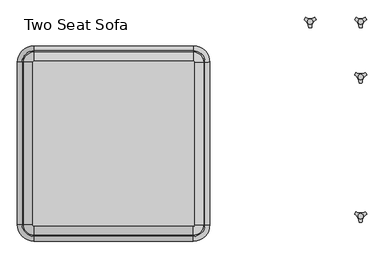
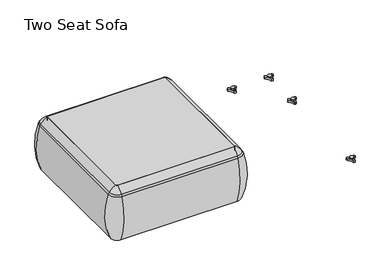
"""IFC4 building model written with IfcOpenShell, lengths in millimetres: furniture geometry, Two Seat Sofa."""

from ifc_helpers import new_model, si_unit, point, frame, frame_2d, origin, place, context, project, spatial, polyline, circle_curve, ellipse_curve, trimmed, segment, composite_curve, outline, extrude, source, transform, mapped, element, save
from ifc_brep_helpers import plane_surface, cylinder_surface, revolved_surface, advanced_brep


def two_seat_sofa_56ba0fb8(model_context):
    return source(origin(), model_context, "Body", "SolidModel", [
        advanced_brep(
        [(-794.741528, -680.3856623, 390.3914007), (-789.4617207, -685.6654695, 390.3914007), (-789.4617207, -685.6654695, 123.9999984), (-794.741528, -680.3856623, 123.9999984), (-823.4295722, -680.3856623, 123.9999984), (-789.4617207, -714.3535137, 123.9999984), (-789.4617207, -722.0329787, 353.7769053), (-831.1090372, -680.3856623, 353.7769053), (-794.741528, -92.2092577, 123.9999984), (-794.741528, -92.2092577, 390.3914007), (-831.1090372, -92.2092577, 353.7769053), (-823.4295722, -92.2092577, 123.9999984), (-789.4617207, -86.9294504, 390.3914007), (-789.4617207, -86.9294504, 123.9999984), (-789.4617207, -58.2414063, 123.9999984), (-789.4617207, -50.5619412, 353.7769053), (-212.8817207, -86.9294504, 123.9999984), (-212.8817207, -86.9294504, 390.3914007), (-212.8817207, -50.5619412, 353.7769053), (-212.8817207, -58.2414063, 123.9999984), (-207.6019135, -92.2092577, 390.3914007), (-207.6019135, -92.2092577, 123.9999984), (-178.9138693, -92.2092577, 123.9999984), (-171.2344043, -92.2092577, 353.7769053), (-207.6019135, -680.3856623, 123.9999984), (-207.6019135, -680.3856623, 390.3914007), (-171.2344043, -680.3856623, 353.7769053), (-178.9138693, -680.3856623, 123.9999984), (-212.8817207, -685.6654695, 390.3914007), (-212.8817207, -685.6654695, 123.9999984), (-212.8817207, -714.3535137, 123.9999984), (-212.8817207, -722.0329787, 353.7769053), (-825.8905773, -680.3856623, 363.6402875), (-789.4617207, -716.8145188, 363.6402875), (-825.8905773, -92.2092577, 363.6402875), (-789.4617207, -55.7804011, 363.6402875), (-212.8817207, -55.7804011, 363.6402875), (-176.4528642, -92.2092577, 363.6402875), (-176.4528642, -680.3856623, 363.6402875), (-212.8817207, -716.8145188, 363.6402875)],
        [
            (0, 1, circle_curve(frame((-789.4617207, -680.3856623, 390.3914007), z_axis=(0.0, 0.0, 1.0), x_axis=(0.0, -1.0, 0.0)), 5.2798073)),
            (1, 2),
            (2, 3, circle_curve(frame((-789.4617207, -680.3856623, 123.9999984), z_axis=(0.0, 0.0, -1.0), x_axis=(0.0, -1.0, 0.0)), 5.2798073)),
            (3, 0),
            (4, 5, circle_curve(frame((-789.4617207, -680.3856623, 123.9999984), z_axis=(0.0, 0.0, 1.0), x_axis=(0.0, -1.0, 0.0)), 33.9678514)),
            (5, 6, circle_curve(frame((-789.4617207, -417.9792297, 248.9220234), z_axis=(-1.0, 0.0, 0.0), x_axis=(0.0, -1.0, 0.0)), 321.625914)),
            (6, 7, circle_curve(frame((-789.4617207, -680.3856623, 353.7769053), z_axis=(0.0, 0.0, -1.0), x_axis=(0.0, -1.0, 0.0)), 41.6473165)),
            (7, 4, circle_curve(frame((-527.0552882, -680.3856623, 248.9220234), z_axis=(0.0, -1.0, 0.0), x_axis=(-1.0, 0.0, 0.0)), 321.625914)),
            (3, 8),
            (8, 9),
            (9, 0),
            (7, 10),
            (10, 11, circle_curve(frame((-527.0552882, -92.2092577, 248.9220234), z_axis=(0.0, -1.0, 0.0), x_axis=(-1.0, 0.0, 0.0)), 321.625914)),
            (11, 4),
            (12, 9, circle_curve(frame((-789.4617207, -92.2092577, 390.3914007), z_axis=(0.0, 0.0, 1.0), x_axis=(-1.0, 0.0, 0.0)), 5.2798073)),
            (8, 13, circle_curve(frame((-789.4617207, -92.2092577, 123.9999984), z_axis=(0.0, 0.0, -1.0), x_axis=(-1.0, 0.0, 0.0)), 5.2798073)),
            (13, 12),
            (14, 11, circle_curve(frame((-789.4617207, -92.2092577, 123.9999984), z_axis=(0.0, 0.0, 1.0), x_axis=(-1.0, 0.0, 0.0)), 33.9678514)),
            (10, 15, circle_curve(frame((-789.4617207, -92.2092577, 353.7769053), z_axis=(0.0, 0.0, -1.0), x_axis=(-1.0, 0.0, 0.0)), 41.6473165)),
            (15, 14, circle_curve(frame((-789.4617207, -354.6156902, 248.9220234), z_axis=(-1.0, 0.0, 0.0), x_axis=(0.0, 1.0, 0.0)), 321.625914)),
            (13, 16),
            (16, 17),
            (17, 12),
            (15, 18),
            (18, 19, circle_curve(frame((-212.8817207, -354.6156902, 248.9220234), z_axis=(-1.0, 0.0, 0.0), x_axis=(0.0, 1.0, 0.0)), 321.625914)),
            (19, 14),
            (20, 17, circle_curve(frame((-212.8817207, -92.2092577, 390.3914007), z_axis=(0.0, 0.0, 1.0), x_axis=(0.0, 1.0, 0.0)), 5.2798073)),
            (16, 21, circle_curve(frame((-212.8817207, -92.2092577, 123.9999984), z_axis=(0.0, 0.0, -1.0), x_axis=(0.0, 1.0, 0.0)), 5.2798073)),
            (21, 20),
            (22, 19, circle_curve(frame((-212.8817207, -92.2092577, 123.9999984), z_axis=(0.0, 0.0, 1.0), x_axis=(0.0, 1.0, 0.0)), 33.9678514)),
            (18, 23, circle_curve(frame((-212.8817207, -92.2092577, 353.7769053), z_axis=(0.0, 0.0, -1.0), x_axis=(0.0, 1.0, 0.0)), 41.6473165)),
            (23, 22, circle_curve(frame((-475.2881533, -92.2092577, 248.9220234), z_axis=(0.0, 1.0, 0.0), x_axis=(1.0, 0.0, 0.0)), 321.625914)),
            (21, 24),
            (24, 25),
            (25, 20),
            (23, 26),
            (26, 27, circle_curve(frame((-475.2881533, -680.3856623, 248.9220234), z_axis=(0.0, 1.0, 0.0), x_axis=(1.0, 0.0, 0.0)), 321.625914)),
            (27, 22),
            (28, 25, circle_curve(frame((-212.8817207, -680.3856623, 390.3914007), z_axis=(0.0, 0.0, 1.0), x_axis=(1.0, 0.0, 0.0)), 5.2798073)),
            (24, 29, circle_curve(frame((-212.8817207, -680.3856623, 123.9999984), z_axis=(0.0, 0.0, -1.0), x_axis=(1.0, 0.0, 0.0)), 5.2798073)),
            (29, 28),
            (30, 27, circle_curve(frame((-212.8817207, -680.3856623, 123.9999984), z_axis=(0.0, 0.0, 1.0), x_axis=(1.0, 0.0, 0.0)), 33.9678514)),
            (26, 31, circle_curve(frame((-212.8817207, -680.3856623, 353.7769053), z_axis=(0.0, 0.0, -1.0), x_axis=(1.0, 0.0, 0.0)), 41.6473165)),
            (31, 30, circle_curve(frame((-212.8817207, -417.9792297, 248.9220234), z_axis=(1.0, 0.0, 0.0), x_axis=(0.0, -1.0, 0.0)), 321.625914)),
            (30, 5),
            (2, 29),
            (1, 28),
            (31, 6),
            (32, 33, circle_curve(frame((-789.4617207, -680.3856623, 363.6402875), z_axis=(0.0, 0.0, 1.0), x_axis=(0.0, -1.0, 0.0)), 36.4288566)),
            (33, 1, circle_curve(frame((-789.4617207, -641.43285, 307.3762868), z_axis=(-1.0, 0.0, 0.0), x_axis=(0.0, -1.0, 0.0)), 94.0639876)),
            (0, 32, circle_curve(frame((-750.5089085, -680.3856623, 307.3762868), z_axis=(0.0, -1.0, 0.0), x_axis=(-1.0, 0.0, 0.0)), 94.0639876)),
            (6, 33, circle_curve(frame((-789.4617207, -687.7682596, 341.9604975), z_axis=(-1.0, 0.0, 0.0), x_axis=(0.0, -1.0, 0.0)), 36.2449785)),
            (32, 7, circle_curve(frame((-796.8443181, -680.3856623, 341.9604975), z_axis=(0.0, -1.0, 0.0), x_axis=(-1.0, 0.0, 0.0)), 36.2449785)),
            (9, 34, circle_curve(frame((-750.5089085, -92.2092577, 307.3762868), z_axis=(0.0, -1.0, 0.0), x_axis=(-1.0, 0.0, 0.0)), 94.0639876)),
            (34, 32),
            (34, 10, circle_curve(frame((-796.8443181, -92.2092577, 341.9604975), z_axis=(0.0, -1.0, 0.0), x_axis=(-1.0, 0.0, 0.0)), 36.2449785)),
            (35, 34, circle_curve(frame((-789.4617207, -92.2092577, 363.6402875), z_axis=(0.0, 0.0, 1.0), x_axis=(-1.0, 0.0, 0.0)), 36.4288566)),
            (12, 35, circle_curve(frame((-789.4617207, -131.1620699, 307.3762868), z_axis=(-1.0, 0.0, 0.0), x_axis=(0.0, 1.0, 0.0)), 94.0639876)),
            (35, 15, circle_curve(frame((-789.4617207, -84.8266603, 341.9604975), z_axis=(-1.0, 0.0, 0.0), x_axis=(0.0, 1.0, 0.0)), 36.2449785)),
            (17, 36, circle_curve(frame((-212.8817207, -131.1620699, 307.3762868), z_axis=(-1.0, 0.0, 0.0), x_axis=(0.0, 1.0, 0.0)), 94.0639876)),
            (36, 35),
            (36, 18, circle_curve(frame((-212.8817207, -84.8266603, 341.9604975), z_axis=(-1.0, 0.0, 0.0), x_axis=(0.0, 1.0, 0.0)), 36.2449785)),
            (37, 36, circle_curve(frame((-212.8817207, -92.2092577, 363.6402875), z_axis=(0.0, 0.0, 1.0), x_axis=(0.0, 1.0, 0.0)), 36.4288566)),
            (20, 37, circle_curve(frame((-251.8345329, -92.2092577, 307.3762868), z_axis=(0.0, 1.0, 0.0), x_axis=(1.0, 0.0, 0.0)), 94.0639876)),
            (37, 23, circle_curve(frame((-205.4991233, -92.2092577, 341.9604975), z_axis=(0.0, 1.0, 0.0), x_axis=(1.0, 0.0, 0.0)), 36.2449785)),
            (25, 38, circle_curve(frame((-251.8345329, -680.3856623, 307.3762868), z_axis=(0.0, 1.0, 0.0), x_axis=(1.0, 0.0, 0.0)), 94.0639876)),
            (38, 37),
            (38, 26, circle_curve(frame((-205.4991233, -680.3856623, 341.9604975), z_axis=(0.0, 1.0, 0.0), x_axis=(1.0, 0.0, 0.0)), 36.2449785)),
            (39, 38, circle_curve(frame((-212.8817207, -680.3856623, 363.6402875), z_axis=(0.0, 0.0, 1.0), x_axis=(1.0, 0.0, 0.0)), 36.4288566)),
            (28, 39, circle_curve(frame((-212.8817207, -641.43285, 307.3762868), z_axis=(1.0, 0.0, 0.0), x_axis=(0.0, -1.0, 0.0)), 94.0639876)),
            (39, 31, circle_curve(frame((-212.8817207, -687.7682596, 341.9604975), z_axis=(1.0, 0.0, 0.0), x_axis=(0.0, -1.0, 0.0)), 36.2449785)),
            (33, 39),
        ],
        [
            revolved_surface(polyline([(-789.4617207, -685.6654696, 123.9999984), (-789.4617207, -685.6654696, 390.3914007)]), (-789.4617207, -680.3856623, 0.0), (0.0, 0.0, -1.0)),
            revolved_surface(trimmed(ellipse_curve(frame((-789.4617207, -417.9792297, 248.9220234), z_axis=(1.0, 0.0, 0.0), x_axis=(0.0, -1.0, 0.0)), 321.625914, 321.625914), [point((-789.4617207, -722.0329787, 353.7769053))], [point((-789.4617207, -714.3535137, 123.9999984))], True, "CARTESIAN"), (-789.4617207, -680.3856623, 0.0), (0.0, 0.0, -1.0)),
            plane_surface(frame((-794.741528, -680.3856623, 123.9999984), z_axis=(1.0, 0.0, 0.0), x_axis=(0.0, 1.0, 0.0))),
            cylinder_surface(frame((-527.0552882, -680.3856623, 248.9220234), z_axis=(0.0, -1.0, 0.0), x_axis=(-1.0, 0.0, 0.0)), 321.625914),
            revolved_surface(polyline([(-794.741528, -92.2092577, 123.9999984), (-794.741528, -92.2092577, 390.3914007)]), (-789.4617207, -92.2092577, 0.0), (0.0, 0.0, -1.0)),
            revolved_surface(trimmed(ellipse_curve(frame((-527.0552882, -92.2092577, 248.9220234), z_axis=(0.0, -1.0, 0.0), x_axis=(-1.0, 0.0, 0.0)), 321.625914, 321.625914), [point((-831.1090372, -92.2092577, 353.7769053))], [point((-823.4295722, -92.2092577, 123.9999984))], True, "CARTESIAN"), (-789.4617207, -92.2092577, 0.0), (0.0, 0.0, -1.0)),
            plane_surface(frame((-789.4617207, -86.9294504, 123.9999984), z_axis=(0.0, -1.0, 0.0), x_axis=(1.0, 0.0, 0.0))),
            cylinder_surface(frame((-789.4617207, -354.6156902, 248.9220234), z_axis=(-1.0, 0.0, 0.0), x_axis=(0.0, 1.0, 0.0)), 321.625914),
            revolved_surface(polyline([(-212.8817207, -86.9294504, 123.9999984), (-212.8817207, -86.9294504, 390.3914007)]), (-212.8817207, -92.2092577, 0.0), (0.0, 0.0, -1.0)),
            revolved_surface(trimmed(ellipse_curve(frame((-212.8817207, -354.6156902, 248.9220234), z_axis=(-1.0, 0.0, 0.0), x_axis=(0.0, 1.0, 0.0)), 321.625914, 321.625914), [point((-212.8817207, -50.5619412, 353.7769053))], [point((-212.8817207, -58.2414063, 123.9999984))], True, "CARTESIAN"), (-212.8817207, -92.2092577, 0.0), (0.0, 0.0, -1.0)),
            plane_surface(frame((-207.6019135, -92.2092577, 123.9999984), z_axis=(-1.0, 0.0, 0.0), x_axis=(0.0, -1.0, 0.0))),
            cylinder_surface(frame((-475.2881533, -92.2092577, 248.9220234), z_axis=(0.0, 1.0, 0.0), x_axis=(1.0, 0.0, 0.0)), 321.625914),
            revolved_surface(polyline([(-207.6019134, -680.3856623, 123.9999984), (-207.6019134, -680.3856623, 390.3914007)]), (-212.8817207, -680.3856623, 0.0), (0.0, 0.0, -1.0)),
            revolved_surface(trimmed(ellipse_curve(frame((-475.2881533, -680.3856623, 248.9220234), z_axis=(0.0, 1.0, 0.0), x_axis=(1.0, 0.0, 0.0)), 321.625914, 321.625914), [point((-171.2344043, -680.3856623, 353.7769053))], [point((-178.9138693, -680.3856623, 123.9999984))], True, "CARTESIAN"), (-212.8817207, -680.3856623, 0.0), (0.0, 0.0, -1.0)),
            plane_surface(frame((-212.8817207, -714.3535137, 123.9999984), z_axis=(0.0, 0.0, -1.0), x_axis=(-1.0, 0.0, 0.0))),
            plane_surface(frame((-212.8817207, -685.6654695, 123.9999984), z_axis=(0.0, 1.0, 0.0), x_axis=(-1.0, 0.0, 0.0))),
            cylinder_surface(frame((-212.8817207, -417.9792297, 248.9220234), z_axis=(1.0, 0.0, 0.0), x_axis=(0.0, -1.0, 0.0)), 321.625914),
            revolved_surface(trimmed(ellipse_curve(frame((-789.4617207, -641.43285, 307.3762868), z_axis=(1.0, 0.0, 0.0), x_axis=(0.0, -1.0, 0.0)), 94.0639876, 94.0639876), [point((-789.4617207, -685.6654695, 390.3914007))], [point((-789.4617207, -716.8145188, 363.6402875))], True, "CARTESIAN"), (-789.4617207, -680.3856623, 0.0), (0.0, 0.0, -1.0)),
            revolved_surface(trimmed(ellipse_curve(frame((-789.4617207, -687.7682596, 341.9604975), z_axis=(1.0, 0.0, 0.0), x_axis=(0.0, -1.0, 0.0)), 36.2449785, 36.2449785), [point((-789.4617207, -716.8145188, 363.6402875))], [point((-789.4617207, -722.0329787, 353.7769053))], True, "CARTESIAN"), (-789.4617207, -680.3856623, 0.0), (0.0, 0.0, -1.0)),
            cylinder_surface(frame((-750.5089085, -680.3856623, 307.3762868), z_axis=(0.0, -1.0, 0.0), x_axis=(-1.0, 0.0, 0.0)), 94.0639876),
            cylinder_surface(frame((-796.8443181, -680.3856623, 341.9604975), z_axis=(0.0, -1.0, 0.0), x_axis=(-1.0, 0.0, 0.0)), 36.2449785),
            revolved_surface(trimmed(ellipse_curve(frame((-750.5089085, -92.2092577, 307.3762868), z_axis=(0.0, -1.0, 0.0), x_axis=(-1.0, 0.0, 0.0)), 94.0639876, 94.0639876), [point((-794.741528, -92.2092577, 390.3914007))], [point((-825.8905773, -92.2092577, 363.6402875))], True, "CARTESIAN"), (-789.4617207, -92.2092577, 0.0), (0.0, 0.0, -1.0)),
            revolved_surface(trimmed(ellipse_curve(frame((-796.8443181, -92.2092577, 341.9604975), z_axis=(0.0, -1.0, 0.0), x_axis=(-1.0, 0.0, 0.0)), 36.2449785, 36.2449785), [point((-825.8905773, -92.2092577, 363.6402875))], [point((-831.1090372, -92.2092577, 353.7769053))], True, "CARTESIAN"), (-789.4617207, -92.2092577, 0.0), (0.0, 0.0, -1.0)),
            cylinder_surface(frame((-789.4617207, -131.1620699, 307.3762868), z_axis=(-1.0, 0.0, 0.0), x_axis=(0.0, 1.0, 0.0)), 94.0639876),
            cylinder_surface(frame((-789.4617207, -84.8266603, 341.9604975), z_axis=(-1.0, 0.0, 0.0), x_axis=(0.0, 1.0, 0.0)), 36.2449785),
            revolved_surface(trimmed(ellipse_curve(frame((-212.8817207, -131.1620699, 307.3762868), z_axis=(-1.0, 0.0, 0.0), x_axis=(0.0, 1.0, 0.0)), 94.0639876, 94.0639876), [point((-212.8817207, -86.9294504, 390.3914007))], [point((-212.8817207, -55.7804011, 363.6402875))], True, "CARTESIAN"), (-212.8817207, -92.2092577, 0.0), (0.0, 0.0, -1.0)),
            revolved_surface(trimmed(ellipse_curve(frame((-212.8817207, -84.8266603, 341.9604975), z_axis=(-1.0, 0.0, 0.0), x_axis=(0.0, 1.0, 0.0)), 36.2449785, 36.2449785), [point((-212.8817207, -55.7804011, 363.6402875))], [point((-212.8817207, -50.5619412, 353.7769053))], True, "CARTESIAN"), (-212.8817207, -92.2092577, 0.0), (0.0, 0.0, -1.0)),
            cylinder_surface(frame((-251.8345329, -92.2092577, 307.3762868), z_axis=(0.0, 1.0, 0.0), x_axis=(1.0, 0.0, 0.0)), 94.0639876),
            cylinder_surface(frame((-205.4991233, -92.2092577, 341.9604975), z_axis=(0.0, 1.0, 0.0), x_axis=(1.0, 0.0, 0.0)), 36.2449785),
            revolved_surface(trimmed(ellipse_curve(frame((-251.8345329, -680.3856623, 307.3762868), z_axis=(0.0, 1.0, 0.0), x_axis=(1.0, 0.0, 0.0)), 94.0639876, 94.0639876), [point((-207.6019135, -680.3856623, 390.3914007))], [point((-176.4528642, -680.3856623, 363.6402875))], True, "CARTESIAN"), (-212.8817207, -680.3856623, 0.0), (0.0, 0.0, -1.0)),
            revolved_surface(trimmed(ellipse_curve(frame((-205.4991233, -680.3856623, 341.9604975), z_axis=(0.0, 1.0, 0.0), x_axis=(1.0, 0.0, 0.0)), 36.2449785, 36.2449785), [point((-176.4528642, -680.3856623, 363.6402875))], [point((-171.2344043, -680.3856623, 353.7769053))], True, "CARTESIAN"), (-212.8817207, -680.3856623, 0.0), (0.0, 0.0, -1.0)),
            cylinder_surface(frame((-212.8817207, -641.43285, 307.3762868), z_axis=(1.0, 0.0, 0.0), x_axis=(0.0, -1.0, 0.0)), 94.0639876),
            cylinder_surface(frame((-212.8817207, -687.7682596, 341.9604975), z_axis=(1.0, 0.0, 0.0), x_axis=(0.0, -1.0, 0.0)), 36.2449785),
        ],
        [
            (0, [[1, 2, 3, 4]]),
            (1, [[5, 6, 7, 8]]),
            (2, [[-4, 9, 10, 11]]),
            (3, [[-8, 12, 13, 14]]),
            (4, [[15, -10, 16, 17]]),
            (5, [[18, -13, 19, 20]]),
            (6, [[-17, 21, 22, 23]]),
            (7, [[-20, 24, 25, 26]]),
            (8, [[27, -22, 28, 29]]),
            (9, [[30, -25, 31, 32]]),
            (10, [[-29, 33, 34, 35]]),
            (11, [[-32, 36, 37, 38]]),
            (12, [[39, -34, 40, 41]]),
            (13, [[42, -37, 43, 44]]),
            (14, [[-38, -42, 45, -5, -14, -18, -26, -30], [46, -40, -33, -28, -21, -16, -9, -3]]),
            (15, [[-41, -46, -2, 47]]),
            (16, [[-44, 48, -6, -45]]),
            (17, [[49, 50, -1, 51]]),
            (18, [[-7, 52, -49, 53]]),
            (19, [[-51, -11, 54, 55]]),
            (20, [[-53, -55, 56, -12]]),
            (21, [[57, -54, -15, 58]]),
            (22, [[-19, -56, -57, 59]]),
            (23, [[-58, -23, 60, 61]]),
            (24, [[-59, -61, 62, -24]]),
            (25, [[63, -60, -27, 64]]),
            (26, [[-31, -62, -63, 65]]),
            (27, [[-64, -35, 66, 67]]),
            (28, [[-65, -67, 68, -36]]),
            (29, [[69, -66, -39, 70]]),
            (30, [[-43, -68, -69, 71]]),
            (31, [[-70, -47, -50, 72]]),
            (32, [[-71, -72, -52, -48]]),
        ],
    ),
        extrude(outline(composite_curve([segment(trimmed(circle_curve(frame_2d((-789.4617207, -680.3856623)), 5.2798073), [point((-789.4617207, -685.6654695))], [point((-794.741528, -680.3856623))], False, "CARTESIAN"), True, "CONTINUOUS"), segment(polyline([(-794.741528, -680.3856623), (-794.741528, -92.2092577)]), True, "CONTINUOUS"), segment(trimmed(circle_curve(frame_2d((-789.4617207, -92.2092577)), 5.2798073), [point((-794.741528, -92.2092577))], [point((-789.4617207, -86.9294504))], False, "CARTESIAN"), True, "CONTINUOUS"), segment(polyline([(-789.4617207, -86.9294504), (-212.8817207, -86.9294504)]), True, "CONTINUOUS"), segment(trimmed(circle_curve(frame_2d((-212.8817207, -92.2092577)), 5.2798073), [point((-212.8817207, -86.9294504))], [point((-207.6019135, -92.2092577))], False, "CARTESIAN"), True, "CONTINUOUS"), segment(polyline([(-207.6019135, -92.2092577), (-207.6019135, -680.3856623)]), True, "CONTINUOUS"), segment(trimmed(circle_curve(frame_2d((-212.8817207, -680.3856623)), 5.2798073), [point((-207.6019135, -680.3856623))], [point((-212.8817207, -685.6654695))], False, "CARTESIAN"), True, "CONTINUOUS"), segment(polyline([(-212.8817207, -685.6654695), (-789.4617207, -685.6654695)]), True, "CONTINUOUS")], self_intersect=False)), frame((0.0, 0.0, 123.9999984), z_axis=(0.0, 0.0, 1.0), x_axis=(1.0, 0.0, 0.0)), (0.0, 0.0, 1.0), 266.3914023),
        advanced_brep(
        [(373.838792, -633.9963447, 98.611642), (369.6162038, -641.3100819, 98.611642), (370.0141527, -642.4761133, 98.611642), (385.8334234, -669.8758983, 98.611642), (386.6442569, -670.8035397, 98.611642), (395.0894355, -670.8035397, 98.611642), (395.8939637, -669.7137583, 98.611642), (411.9962168, -642.2119553, 98.611642), (412.1174938, -641.3100836, 98.611642), (407.8949039, -633.9963432, 98.611642), (406.6861204, -633.7579584, 98.611642), (375.047572, -633.7579584, 98.611642), (400.2397227, -648.9168654, 98.611642), (381.3347108, -648.9168654, 98.611642), (373.838792, -633.9963447, 88.6531552), (375.047572, -633.7579584, 88.6531552), (406.6861204, -633.7579584, 88.6531552), (407.8949039, -633.9963432, 88.6531552), (412.1174938, -641.3100836, 88.6531552), (411.9962168, -642.2119553, 88.6531552), (395.8939637, -669.7137583, 88.6531552), (395.0894355, -670.8035397, 88.6531552), (386.6442569, -670.8035397, 88.6531552), (385.8334234, -669.8758983, 88.6531552), (370.0141527, -642.4761133, 88.6531552), (369.6162038, -641.3100819, 88.6531552), (381.3347108, -648.9168654, 103.6569541), (400.2397227, -648.9168654, 103.6569541)],
        [
            (0, 1, circle_curve(frame((392.09828, -649.4142898, 98.611642), z_axis=(0.0, 0.0, 1.0), x_axis=(1.0, 0.0, 0.0)), 23.8981576)),
            (1, 2, circle_curve(frame((370.5437624, -641.6444428, 98.611642), z_axis=(0.0, 0.0, 1.0), x_axis=(1.0, 0.0, 0.0)), 0.9859828)),
            (2, 3, circle_curve(frame((351.6187827, -671.3632053, 98.611642), z_axis=(0.0, 0.0, -1.0), x_axis=(1.0, 0.0, 0.0)), 34.246952)),
            (3, 4, circle_curve(frame((386.8184668, -669.8330785, 98.611642), z_axis=(0.0, 0.0, 1.0), x_axis=(1.0, 0.0, 0.0)), 0.9859736)),
            (4, 5, circle_curve(frame((390.8668462, -647.2809943, 98.611642), z_axis=(0.0, 0.0, 1.0), x_axis=(1.0, 0.0, 0.0)), 23.8985439)),
            (5, 6, circle_curve(frame((394.9152236, -669.8330671, 98.611642), z_axis=(0.0, 0.0, 1.0), x_axis=(1.0, 0.0, 0.0)), 0.9859852)),
            (6, 7, circle_curve(frame((430.1156373, -671.285662, 98.611642), z_axis=(0.0, 0.0, -1.0), x_axis=(1.0, 0.0, 0.0)), 34.2577557)),
            (7, 8, circle_curve(frame((411.1899324, -641.644442, 98.611642), z_axis=(0.0, 0.0, 1.0), x_axis=(1.0, 0.0, 0.0)), 0.9859847)),
            (8, 9, circle_curve(frame((389.6358034, -649.4140667, 98.611642), z_axis=(0.0, 0.0, 1.0), x_axis=(1.0, 0.0, 0.0)), 23.8977184)),
            (9, 10, circle_curve(frame((407.1415576, -634.632458, 98.611642), z_axis=(0.0, 0.0, 1.0), x_axis=(1.0, 0.0, 0.0)), 0.9859881)),
            (10, 11, circle_curve(frame((390.8668462, -603.3828618, 98.611642), z_axis=(0.0, 0.0, -1.0), x_axis=(1.0, 0.0, 0.0)), 34.2475683)),
            (11, 0, circle_curve(frame((374.5921369, -634.632454, 98.611642), z_axis=(0.0, 0.0, 1.0), x_axis=(1.0, 0.0, 0.0)), 0.9859835)),
            (12, 13, circle_curve(frame((390.7872168, -648.9168654, 98.611642), z_axis=(0.0, 0.0, -1.0), x_axis=(1.0, 0.0, 0.0)), 9.452506)),
            (13, 12, circle_curve(frame((390.7872168, -648.9168654, 98.611642), z_axis=(0.0, 0.0, -1.0), x_axis=(1.0, 0.0, 0.0)), 9.452506)),
            (14, 15, circle_curve(frame((374.5921369, -634.632454, 88.6531552), z_axis=(0.0, 0.0, -1.0), x_axis=(1.0, 0.0, 0.0)), 0.9859835)),
            (15, 16, circle_curve(frame((390.8668462, -603.3828618, 88.6531552), z_axis=(0.0, 0.0, 1.0), x_axis=(1.0, 0.0, 0.0)), 34.2475683)),
            (16, 17, circle_curve(frame((407.1415576, -634.632458, 88.6531552), z_axis=(0.0, 0.0, -1.0), x_axis=(1.0, 0.0, 0.0)), 0.9859881)),
            (17, 18, circle_curve(frame((389.6358034, -649.4140667, 88.6531552), z_axis=(0.0, 0.0, -1.0), x_axis=(1.0, 0.0, 0.0)), 23.8977184)),
            (18, 19, circle_curve(frame((411.1899324, -641.644442, 88.6531552), z_axis=(0.0, 0.0, -1.0), x_axis=(1.0, 0.0, 0.0)), 0.9859847)),
            (19, 20, circle_curve(frame((430.1156373, -671.285662, 88.6531552), z_axis=(0.0, 0.0, 1.0), x_axis=(1.0, 0.0, 0.0)), 34.2577557)),
            (20, 21, circle_curve(frame((394.9152236, -669.8330671, 88.6531552), z_axis=(0.0, 0.0, -1.0), x_axis=(1.0, 0.0, 0.0)), 0.9859852)),
            (21, 22, circle_curve(frame((390.8668462, -647.2809943, 88.6531552), z_axis=(0.0, 0.0, -1.0), x_axis=(1.0, 0.0, 0.0)), 23.8985439)),
            (22, 23, circle_curve(frame((386.8184668, -669.8330785, 88.6531552), z_axis=(0.0, 0.0, -1.0), x_axis=(1.0, 0.0, 0.0)), 0.9859736)),
            (23, 24, circle_curve(frame((351.6187827, -671.3632053, 88.6531552), z_axis=(0.0, 0.0, 1.0), x_axis=(1.0, 0.0, 0.0)), 34.246952)),
            (24, 25, circle_curve(frame((370.5437624, -641.6444428, 88.6531552), z_axis=(0.0, 0.0, -1.0), x_axis=(1.0, 0.0, 0.0)), 0.9859828)),
            (25, 14, circle_curve(frame((392.09828, -649.4142898, 88.6531552), z_axis=(0.0, 0.0, -1.0), x_axis=(1.0, 0.0, 0.0)), 23.8981576)),
            (26, 27, circle_curve(frame((390.7872168, -648.9168654, 103.6569541), z_axis=(0.0, 0.0, 1.0), x_axis=(1.0, 0.0, 0.0)), 9.452506)),
            (27, 26, circle_curve(frame((390.7872168, -648.9168654, 103.6569541), z_axis=(0.0, 0.0, 1.0), x_axis=(1.0, 0.0, 0.0)), 9.452506)),
            (0, 14),
            (25, 1),
            (24, 2),
            (23, 3),
            (22, 4),
            (21, 5),
            (20, 6),
            (19, 7),
            (18, 8),
            (17, 9),
            (16, 10),
            (15, 11),
            (26, 13),
            (12, 27),
        ],
        [
            plane_surface(frame((415.9964377, -649.4142898, 98.611642), z_axis=(0.0, 0.0, 1.0), x_axis=(0.0, 1.0, 0.0))),
            plane_surface(frame((415.9964377, -649.4142898, 88.6531552), z_axis=(0.0, 0.0, -1.0), x_axis=(0.0, -1.0, 0.0))),
            plane_surface(frame((400.2397227, -648.9168654, 103.6569541), z_axis=(0.0, 0.0, 1.0), x_axis=(0.0, 1.0, 0.0))),
            cylinder_surface(frame((392.09828, -649.4142898, 88.6531552), z_axis=(0.0, 0.0, 1.0), x_axis=(1.0, 0.0, 0.0)), 23.8981576),
            cylinder_surface(frame((370.5437624, -641.6444428, 88.6531552), z_axis=(0.0, 0.0, 1.0), x_axis=(1.0, 0.0, 0.0)), 0.9859828),
            revolved_surface(polyline([(385.8657347, -671.3632053, 88.6531552), (385.8657347, -671.3632053, 98.611642)]), (351.6187827, -671.3632053, 88.6531552), (0.0, 0.0, -1.0)),
            cylinder_surface(frame((386.8184668, -669.8330785, 88.6531552), z_axis=(0.0, 0.0, 1.0), x_axis=(1.0, 0.0, 0.0)), 0.9859736),
            cylinder_surface(frame((390.8668462, -647.2809943, 88.6531552), z_axis=(0.0, 0.0, 1.0), x_axis=(1.0, 0.0, 0.0)), 23.8985439),
            cylinder_surface(frame((394.9152236, -669.8330671, 88.6531552), z_axis=(0.0, 0.0, 1.0), x_axis=(1.0, 0.0, 0.0)), 0.9859852),
            revolved_surface(polyline([(464.373393, -671.285662, 88.6531552), (464.373393, -671.285662, 98.611642)]), (430.1156373, -671.285662, 88.6531552), (0.0, 0.0, -1.0)),
            cylinder_surface(frame((411.1899324, -641.644442, 88.6531552), z_axis=(0.0, 0.0, 1.0), x_axis=(1.0, 0.0, 0.0)), 0.9859847),
            cylinder_surface(frame((389.6358034, -649.4140667, 88.6531552), z_axis=(0.0, 0.0, 1.0), x_axis=(1.0, 0.0, 0.0)), 23.8977184),
            cylinder_surface(frame((407.1415576, -634.632458, 88.6531552), z_axis=(0.0, 0.0, 1.0), x_axis=(1.0, 0.0, 0.0)), 0.9859881),
            revolved_surface(polyline([(425.1144145, -603.3828618, 88.6531552), (425.1144145, -603.3828618, 98.611642)]), (390.8668462, -603.3828618, 88.6531552), (0.0, 0.0, -1.0)),
            cylinder_surface(frame((374.5921369, -634.632454, 88.6531552), z_axis=(0.0, 0.0, 1.0), x_axis=(1.0, 0.0, 0.0)), 0.9859835),
            cylinder_surface(frame((390.7872168, -648.9168654, 98.611642), z_axis=(0.0, 0.0, 1.0), x_axis=(1.0, 0.0, 0.0)), 9.452506),
        ],
        [
            (0, [[1, 2, 3, 4, 5, 6, 7, 8, 9, 10, 11, 12], [13, 14]]),
            (1, [[15, 16, 17, 18, 19, 20, 21, 22, 23, 24, 25, 26]]),
            (2, [[27, 28]]),
            (3, [[-1, 29, -26, 30]]),
            (4, [[-2, -30, -25, 31]]),
            (5, [[-3, -31, -24, 32]]),
            (6, [[-4, -32, -23, 33]]),
            (7, [[-5, -33, -22, 34]]),
            (8, [[-6, -34, -21, 35]]),
            (9, [[-7, -35, -20, 36]]),
            (10, [[-8, -36, -19, 37]]),
            (11, [[-9, -37, -18, 38]]),
            (12, [[-10, -38, -17, 39]]),
            (13, [[-11, -39, -16, 40]]),
            (14, [[-12, -40, -15, -29]]),
            (15, [[-27, 41, -13, 42]]),
            (15, [[-28, -42, -14, -41]]),
        ],
    ),
        advanced_brep(
        [(373.838792, -130.2721038, 98.611642), (369.6162038, -137.585841, 98.611642), (370.0141527, -138.7518724, 98.611642), (385.8334234, -166.1516574, 98.611642), (386.6442569, -167.0792988, 98.611642), (395.0894355, -167.0792988, 98.611642), (395.8939637, -165.9895174, 98.611642), (411.9962168, -138.4877144, 98.611642), (412.1174938, -137.5858427, 98.611642), (407.8949039, -130.2721023, 98.611642), (406.6861204, -130.0337175, 98.611642), (375.047572, -130.0337175, 98.611642), (400.2397227, -145.1926245, 98.611642), (381.3347108, -145.1926245, 98.611642), (373.838792, -130.2721038, 88.6531552), (375.047572, -130.0337175, 88.6531552), (406.6861204, -130.0337175, 88.6531552), (407.8949039, -130.2721023, 88.6531552), (412.1174938, -137.5858427, 88.6531552), (411.9962168, -138.4877144, 88.6531552), (395.8939637, -165.9895174, 88.6531552), (395.0894355, -167.0792988, 88.6531552), (386.6442569, -167.0792988, 88.6531552), (385.8334234, -166.1516574, 88.6531552), (370.0141527, -138.7518724, 88.6531552), (369.6162038, -137.585841, 88.6531552), (381.3347108, -145.1926245, 103.6569541), (400.2397227, -145.1926245, 103.6569541)],
        [
            (0, 1, circle_curve(frame((392.09828, -145.690049, 98.611642), z_axis=(0.0, 0.0, 1.0), x_axis=(1.0, 0.0, 0.0)), 23.8981576)),
            (1, 2, circle_curve(frame((370.5437624, -137.920202, 98.611642), z_axis=(0.0, 0.0, 1.0), x_axis=(1.0, 0.0, 0.0)), 0.9859828)),
            (2, 3, circle_curve(frame((351.6187827, -167.6389644, 98.611642), z_axis=(0.0, 0.0, -1.0), x_axis=(1.0, 0.0, 0.0)), 34.246952)),
            (3, 4, circle_curve(frame((386.8184668, -166.1088376, 98.611642), z_axis=(0.0, 0.0, 1.0), x_axis=(1.0, 0.0, 0.0)), 0.9859736)),
            (4, 5, circle_curve(frame((390.8668462, -143.5567534, 98.611642), z_axis=(0.0, 0.0, 1.0), x_axis=(1.0, 0.0, 0.0)), 23.8985439)),
            (5, 6, circle_curve(frame((394.9152236, -166.1088262, 98.611642), z_axis=(0.0, 0.0, 1.0), x_axis=(1.0, 0.0, 0.0)), 0.9859852)),
            (6, 7, circle_curve(frame((430.1156373, -167.5614211, 98.611642), z_axis=(0.0, 0.0, -1.0), x_axis=(1.0, 0.0, 0.0)), 34.2577557)),
            (7, 8, circle_curve(frame((411.1899324, -137.9202011, 98.611642), z_axis=(0.0, 0.0, 1.0), x_axis=(1.0, 0.0, 0.0)), 0.9859847)),
            (8, 9, circle_curve(frame((389.6358034, -145.6898258, 98.611642), z_axis=(0.0, 0.0, 1.0), x_axis=(1.0, 0.0, 0.0)), 23.8977184)),
            (9, 10, circle_curve(frame((407.1415576, -130.9082171, 98.611642), z_axis=(0.0, 0.0, 1.0), x_axis=(1.0, 0.0, 0.0)), 0.9859881)),
            (10, 11, circle_curve(frame((390.8668462, -99.6586209, 98.611642), z_axis=(0.0, 0.0, -1.0), x_axis=(1.0, 0.0, 0.0)), 34.2475683)),
            (11, 0, circle_curve(frame((374.5921369, -130.9082131, 98.611642), z_axis=(0.0, 0.0, 1.0), x_axis=(1.0, 0.0, 0.0)), 0.9859835)),
            (12, 13, circle_curve(frame((390.7872168, -145.1926245, 98.611642), z_axis=(0.0, 0.0, -1.0), x_axis=(1.0, 0.0, 0.0)), 9.452506)),
            (13, 12, circle_curve(frame((390.7872168, -145.1926245, 98.611642), z_axis=(0.0, 0.0, -1.0), x_axis=(1.0, 0.0, 0.0)), 9.452506)),
            (14, 15, circle_curve(frame((374.5921369, -130.9082131, 88.6531552), z_axis=(0.0, 0.0, -1.0), x_axis=(1.0, 0.0, 0.0)), 0.9859835)),
            (15, 16, circle_curve(frame((390.8668462, -99.6586209, 88.6531552), z_axis=(0.0, 0.0, 1.0), x_axis=(1.0, 0.0, 0.0)), 34.2475683)),
            (16, 17, circle_curve(frame((407.1415576, -130.9082171, 88.6531552), z_axis=(0.0, 0.0, -1.0), x_axis=(1.0, 0.0, 0.0)), 0.9859881)),
            (17, 18, circle_curve(frame((389.6358034, -145.6898258, 88.6531552), z_axis=(0.0, 0.0, -1.0), x_axis=(1.0, 0.0, 0.0)), 23.8977184)),
            (18, 19, circle_curve(frame((411.1899324, -137.9202011, 88.6531552), z_axis=(0.0, 0.0, -1.0), x_axis=(1.0, 0.0, 0.0)), 0.9859847)),
            (19, 20, circle_curve(frame((430.1156373, -167.5614211, 88.6531552), z_axis=(0.0, 0.0, 1.0), x_axis=(1.0, 0.0, 0.0)), 34.2577557)),
            (20, 21, circle_curve(frame((394.9152236, -166.1088262, 88.6531552), z_axis=(0.0, 0.0, -1.0), x_axis=(1.0, 0.0, 0.0)), 0.9859852)),
            (21, 22, circle_curve(frame((390.8668462, -143.5567534, 88.6531552), z_axis=(0.0, 0.0, -1.0), x_axis=(1.0, 0.0, 0.0)), 23.8985439)),
            (22, 23, circle_curve(frame((386.8184668, -166.1088376, 88.6531552), z_axis=(0.0, 0.0, -1.0), x_axis=(1.0, 0.0, 0.0)), 0.9859736)),
            (23, 24, circle_curve(frame((351.6187827, -167.6389644, 88.6531552), z_axis=(0.0, 0.0, 1.0), x_axis=(1.0, 0.0, 0.0)), 34.246952)),
            (24, 25, circle_curve(frame((370.5437624, -137.920202, 88.6531552), z_axis=(0.0, 0.0, -1.0), x_axis=(1.0, 0.0, 0.0)), 0.9859828)),
            (25, 14, circle_curve(frame((392.09828, -145.690049, 88.6531552), z_axis=(0.0, 0.0, -1.0), x_axis=(1.0, 0.0, 0.0)), 23.8981576)),
            (26, 27, circle_curve(frame((390.7872168, -145.1926245, 103.6569541), z_axis=(0.0, 0.0, 1.0), x_axis=(1.0, 0.0, 0.0)), 9.452506)),
            (27, 26, circle_curve(frame((390.7872168, -145.1926245, 103.6569541), z_axis=(0.0, 0.0, 1.0), x_axis=(1.0, 0.0, 0.0)), 9.452506)),
            (0, 14),
            (25, 1),
            (24, 2),
            (23, 3),
            (22, 4),
            (21, 5),
            (20, 6),
            (19, 7),
            (18, 8),
            (17, 9),
            (16, 10),
            (15, 11),
            (26, 13),
            (12, 27),
        ],
        [
            plane_surface(frame((415.9964377, -145.690049, 98.611642), z_axis=(0.0, 0.0, 1.0), x_axis=(0.0, 1.0, 0.0))),
            plane_surface(frame((415.9964377, -145.690049, 88.6531552), z_axis=(0.0, 0.0, -1.0), x_axis=(0.0, -1.0, 0.0))),
            plane_surface(frame((400.2397227, -145.1926245, 103.6569541), z_axis=(0.0, 0.0, 1.0), x_axis=(0.0, 1.0, 0.0))),
            cylinder_surface(frame((392.09828, -145.690049, 88.6531552), z_axis=(0.0, 0.0, 1.0), x_axis=(1.0, 0.0, 0.0)), 23.8981576),
            cylinder_surface(frame((370.5437624, -137.920202, 88.6531552), z_axis=(0.0, 0.0, 1.0), x_axis=(1.0, 0.0, 0.0)), 0.9859828),
            revolved_surface(polyline([(385.8657347, -167.6389644, 88.6531552), (385.8657347, -167.6389644, 98.611642)]), (351.6187827, -167.6389644, 88.6531552), (0.0, 0.0, -1.0)),
            cylinder_surface(frame((386.8184668, -166.1088376, 88.6531552), z_axis=(0.0, 0.0, 1.0), x_axis=(1.0, 0.0, 0.0)), 0.9859736),
            cylinder_surface(frame((390.8668462, -143.5567534, 88.6531552), z_axis=(0.0, 0.0, 1.0), x_axis=(1.0, 0.0, 0.0)), 23.8985439),
            cylinder_surface(frame((394.9152236, -166.1088262, 88.6531552), z_axis=(0.0, 0.0, 1.0), x_axis=(1.0, 0.0, 0.0)), 0.9859852),
            revolved_surface(polyline([(464.373393, -167.5614211, 88.6531552), (464.373393, -167.5614211, 98.611642)]), (430.1156373, -167.5614211, 88.6531552), (0.0, 0.0, -1.0)),
            cylinder_surface(frame((411.1899324, -137.9202011, 88.6531552), z_axis=(0.0, 0.0, 1.0), x_axis=(1.0, 0.0, 0.0)), 0.9859847),
            cylinder_surface(frame((389.6358034, -145.6898258, 88.6531552), z_axis=(0.0, 0.0, 1.0), x_axis=(1.0, 0.0, 0.0)), 23.8977184),
            cylinder_surface(frame((407.1415576, -130.9082171, 88.6531552), z_axis=(0.0, 0.0, 1.0), x_axis=(1.0, 0.0, 0.0)), 0.9859881),
            revolved_surface(polyline([(425.1144145, -99.6586209, 88.6531552), (425.1144145, -99.6586209, 98.611642)]), (390.8668462, -99.6586209, 88.6531552), (0.0, 0.0, -1.0)),
            cylinder_surface(frame((374.5921369, -130.9082131, 88.6531552), z_axis=(0.0, 0.0, 1.0), x_axis=(1.0, 0.0, 0.0)), 0.9859835),
            cylinder_surface(frame((390.7872168, -145.1926245, 98.611642), z_axis=(0.0, 0.0, 1.0), x_axis=(1.0, 0.0, 0.0)), 9.452506),
        ],
        [
            (0, [[1, 2, 3, 4, 5, 6, 7, 8, 9, 10, 11, 12], [13, 14]]),
            (1, [[15, 16, 17, 18, 19, 20, 21, 22, 23, 24, 25, 26]]),
            (2, [[27, 28]]),
            (3, [[-1, 29, -26, 30]]),
            (4, [[-2, -30, -25, 31]]),
            (5, [[-3, -31, -24, 32]]),
            (6, [[-4, -32, -23, 33]]),
            (7, [[-5, -33, -22, 34]]),
            (8, [[-6, -34, -21, 35]]),
            (9, [[-7, -35, -20, 36]]),
            (10, [[-8, -36, -19, 37]]),
            (11, [[-9, -37, -18, 38]]),
            (12, [[-10, -38, -17, 39]]),
            (13, [[-11, -39, -16, 40]]),
            (14, [[-12, -40, -15, -29]]),
            (15, [[-27, 41, -13, 42]]),
            (15, [[-28, -42, -14, -41]]),
        ],
    ),
        advanced_brep(
        [(373.838792, 69.7278978, 98.611642), (369.6162038, 62.4141605, 98.611642), (370.0141527, 61.2481292, 98.611642), (385.8334234, 33.8483441, 98.611642), (386.6442569, 32.9207027, 98.611642), (395.0894355, 32.9207027, 98.611642), (395.8939637, 34.0104841, 98.611642), (411.9962168, 61.5122871, 98.611642), (412.1174938, 62.4141588, 98.611642), (407.8949039, 69.7278992, 98.611642), (406.6861204, 69.966284, 98.611642), (375.047572, 69.966284, 98.611642), (400.2397227, 54.807377, 98.611642), (381.3347108, 54.807377, 98.611642), (373.838792, 69.7278978, 88.6531552), (375.047572, 69.966284, 88.6531552), (406.6861204, 69.966284, 88.6531552), (407.8949039, 69.7278992, 88.6531552), (412.1174938, 62.4141588, 88.6531552), (411.9962168, 61.5122871, 88.6531552), (395.8939637, 34.0104841, 88.6531552), (395.0894355, 32.9207027, 88.6531552), (386.6442569, 32.9207027, 88.6531552), (385.8334234, 33.8483441, 88.6531552), (370.0141527, 61.2481292, 88.6531552), (369.6162038, 62.4141605, 88.6531552), (381.3347108, 54.807377, 103.6569541), (400.2397227, 54.807377, 103.6569541)],
        [
            (0, 1, circle_curve(frame((392.09828, 54.3099526, 98.611642), z_axis=(0.0, 0.0, 1.0), x_axis=(1.0, 0.0, 0.0)), 23.8981576)),
            (1, 2, circle_curve(frame((370.5437624, 62.0797996, 98.611642), z_axis=(0.0, 0.0, 1.0), x_axis=(1.0, 0.0, 0.0)), 0.9859828)),
            (2, 3, circle_curve(frame((351.6187827, 32.3610372, 98.611642), z_axis=(0.0, 0.0, -1.0), x_axis=(1.0, 0.0, 0.0)), 34.246952)),
            (3, 4, circle_curve(frame((386.8184668, 33.8911639, 98.611642), z_axis=(0.0, 0.0, 1.0), x_axis=(1.0, 0.0, 0.0)), 0.9859736)),
            (4, 5, circle_curve(frame((390.8668462, 56.4432481, 98.611642), z_axis=(0.0, 0.0, 1.0), x_axis=(1.0, 0.0, 0.0)), 23.8985439)),
            (5, 6, circle_curve(frame((394.9152236, 33.8911753, 98.611642), z_axis=(0.0, 0.0, 1.0), x_axis=(1.0, 0.0, 0.0)), 0.9859852)),
            (6, 7, circle_curve(frame((430.1156373, 32.4385804, 98.611642), z_axis=(0.0, 0.0, -1.0), x_axis=(1.0, 0.0, 0.0)), 34.2577557)),
            (7, 8, circle_curve(frame((411.1899324, 62.0798004, 98.611642), z_axis=(0.0, 0.0, 1.0), x_axis=(1.0, 0.0, 0.0)), 0.9859847)),
            (8, 9, circle_curve(frame((389.6358034, 54.3101757, 98.611642), z_axis=(0.0, 0.0, 1.0), x_axis=(1.0, 0.0, 0.0)), 23.8977184)),
            (9, 10, circle_curve(frame((407.1415576, 69.0917844, 98.611642), z_axis=(0.0, 0.0, 1.0), x_axis=(1.0, 0.0, 0.0)), 0.9859881)),
            (10, 11, circle_curve(frame((390.8668462, 100.3413806, 98.611642), z_axis=(0.0, 0.0, -1.0), x_axis=(1.0, 0.0, 0.0)), 34.2475683)),
            (11, 0, circle_curve(frame((374.5921369, 69.0917885, 98.611642), z_axis=(0.0, 0.0, 1.0), x_axis=(1.0, 0.0, 0.0)), 0.9859835)),
            (12, 13, circle_curve(frame((390.7872168, 54.807377, 98.611642), z_axis=(0.0, 0.0, -1.0), x_axis=(1.0, 0.0, 0.0)), 9.452506)),
            (13, 12, circle_curve(frame((390.7872168, 54.807377, 98.611642), z_axis=(0.0, 0.0, -1.0), x_axis=(1.0, 0.0, 0.0)), 9.452506)),
            (14, 15, circle_curve(frame((374.5921369, 69.0917885, 88.6531552), z_axis=(0.0, 0.0, -1.0), x_axis=(1.0, 0.0, 0.0)), 0.9859835)),
            (15, 16, circle_curve(frame((390.8668462, 100.3413806, 88.6531552), z_axis=(0.0, 0.0, 1.0), x_axis=(1.0, 0.0, 0.0)), 34.2475683)),
            (16, 17, circle_curve(frame((407.1415576, 69.0917844, 88.6531552), z_axis=(0.0, 0.0, -1.0), x_axis=(1.0, 0.0, 0.0)), 0.9859881)),
            (17, 18, circle_curve(frame((389.6358034, 54.3101757, 88.6531552), z_axis=(0.0, 0.0, -1.0), x_axis=(1.0, 0.0, 0.0)), 23.8977184)),
            (18, 19, circle_curve(frame((411.1899324, 62.0798004, 88.6531552), z_axis=(0.0, 0.0, -1.0), x_axis=(1.0, 0.0, 0.0)), 0.9859847)),
            (19, 20, circle_curve(frame((430.1156373, 32.4385804, 88.6531552), z_axis=(0.0, 0.0, 1.0), x_axis=(1.0, 0.0, 0.0)), 34.2577557)),
            (20, 21, circle_curve(frame((394.9152236, 33.8911753, 88.6531552), z_axis=(0.0, 0.0, -1.0), x_axis=(1.0, 0.0, 0.0)), 0.9859852)),
            (21, 22, circle_curve(frame((390.8668462, 56.4432481, 88.6531552), z_axis=(0.0, 0.0, -1.0), x_axis=(1.0, 0.0, 0.0)), 23.8985439)),
            (22, 23, circle_curve(frame((386.8184668, 33.8911639, 88.6531552), z_axis=(0.0, 0.0, -1.0), x_axis=(1.0, 0.0, 0.0)), 0.9859736)),
            (23, 24, circle_curve(frame((351.6187827, 32.3610372, 88.6531552), z_axis=(0.0, 0.0, 1.0), x_axis=(1.0, 0.0, 0.0)), 34.246952)),
            (24, 25, circle_curve(frame((370.5437624, 62.0797996, 88.6531552), z_axis=(0.0, 0.0, -1.0), x_axis=(1.0, 0.0, 0.0)), 0.9859828)),
            (25, 14, circle_curve(frame((392.09828, 54.3099526, 88.6531552), z_axis=(0.0, 0.0, -1.0), x_axis=(1.0, 0.0, 0.0)), 23.8981576)),
            (26, 27, circle_curve(frame((390.7872168, 54.807377, 103.6569541), z_axis=(0.0, 0.0, 1.0), x_axis=(1.0, 0.0, 0.0)), 9.452506)),
            (27, 26, circle_curve(frame((390.7872168, 54.807377, 103.6569541), z_axis=(0.0, 0.0, 1.0), x_axis=(1.0, 0.0, 0.0)), 9.452506)),
            (0, 14),
            (25, 1),
            (24, 2),
            (23, 3),
            (22, 4),
            (21, 5),
            (20, 6),
            (19, 7),
            (18, 8),
            (17, 9),
            (16, 10),
            (15, 11),
            (26, 13),
            (12, 27),
        ],
        [
            plane_surface(frame((415.9964377, 54.3099526, 98.611642), z_axis=(0.0, 0.0, 1.0), x_axis=(0.0, 1.0, 0.0))),
            plane_surface(frame((415.9964377, 54.3099526, 88.6531552), z_axis=(0.0, 0.0, -1.0), x_axis=(0.0, -1.0, 0.0))),
            plane_surface(frame((400.2397227, 54.807377, 103.6569541), z_axis=(0.0, 0.0, 1.0), x_axis=(0.0, 1.0, 0.0))),
            cylinder_surface(frame((392.09828, 54.3099526, 88.6531552), z_axis=(0.0, 0.0, 1.0), x_axis=(1.0, 0.0, 0.0)), 23.8981576),
            cylinder_surface(frame((370.5437624, 62.0797996, 88.6531552), z_axis=(0.0, 0.0, 1.0), x_axis=(1.0, 0.0, 0.0)), 0.9859828),
            revolved_surface(polyline([(385.8657347, 32.3610372, 88.6531552), (385.8657347, 32.3610372, 98.611642)]), (351.6187827, 32.3610372, 88.6531552), (0.0, 0.0, -1.0)),
            cylinder_surface(frame((386.8184668, 33.8911639, 88.6531552), z_axis=(0.0, 0.0, 1.0), x_axis=(1.0, 0.0, 0.0)), 0.9859736),
            cylinder_surface(frame((390.8668462, 56.4432481, 88.6531552), z_axis=(0.0, 0.0, 1.0), x_axis=(1.0, 0.0, 0.0)), 23.8985439),
            cylinder_surface(frame((394.9152236, 33.8911753, 88.6531552), z_axis=(0.0, 0.0, 1.0), x_axis=(1.0, 0.0, 0.0)), 0.9859852),
            revolved_surface(polyline([(464.373393, 32.4385804, 88.6531552), (464.373393, 32.4385804, 98.611642)]), (430.1156373, 32.4385804, 88.6531552), (0.0, 0.0, -1.0)),
            cylinder_surface(frame((411.1899324, 62.0798004, 88.6531552), z_axis=(0.0, 0.0, 1.0), x_axis=(1.0, 0.0, 0.0)), 0.9859847),
            cylinder_surface(frame((389.6358034, 54.3101757, 88.6531552), z_axis=(0.0, 0.0, 1.0), x_axis=(1.0, 0.0, 0.0)), 23.8977184),
            cylinder_surface(frame((407.1415576, 69.0917844, 88.6531552), z_axis=(0.0, 0.0, 1.0), x_axis=(1.0, 0.0, 0.0)), 0.9859881),
            revolved_surface(polyline([(425.1144145, 100.3413806, 88.6531552), (425.1144145, 100.3413806, 98.611642)]), (390.8668462, 100.3413806, 88.6531552), (0.0, 0.0, -1.0)),
            cylinder_surface(frame((374.5921369, 69.0917885, 88.6531552), z_axis=(0.0, 0.0, 1.0), x_axis=(1.0, 0.0, 0.0)), 0.9859835),
            cylinder_surface(frame((390.7872168, 54.807377, 98.611642), z_axis=(0.0, 0.0, 1.0), x_axis=(1.0, 0.0, 0.0)), 9.452506),
        ],
        [
            (0, [[1, 2, 3, 4, 5, 6, 7, 8, 9, 10, 11, 12], [13, 14]]),
            (1, [[15, 16, 17, 18, 19, 20, 21, 22, 23, 24, 25, 26]]),
            (2, [[27, 28]]),
            (3, [[-1, 29, -26, 30]]),
            (4, [[-2, -30, -25, 31]]),
            (5, [[-3, -31, -24, 32]]),
            (6, [[-4, -32, -23, 33]]),
            (7, [[-5, -33, -22, 34]]),
            (8, [[-6, -34, -21, 35]]),
            (9, [[-7, -35, -20, 36]]),
            (10, [[-8, -36, -19, 37]]),
            (11, [[-9, -37, -18, 38]]),
            (12, [[-10, -38, -17, 39]]),
            (13, [[-11, -39, -16, 40]]),
            (14, [[-12, -40, -15, -29]]),
            (15, [[-27, 41, -13, 42]]),
            (15, [[-28, -42, -14, -41]]),
        ],
    ),
        advanced_brep(
        [(191.4388063, 69.7278978, 98.611642), (187.2162181, 62.4141605, 98.611642), (187.614167, 61.2481292, 98.611642), (203.4334377, 33.8483441, 98.611642), (204.2442712, 32.9207027, 98.611642), (212.6894498, 32.9207027, 98.611642), (213.493978, 34.0104841, 98.611642), (229.5962311, 61.5122871, 98.611642), (229.7175081, 62.4141588, 98.611642), (225.4949182, 69.7278992, 98.611642), (224.2861347, 69.966284, 98.611642), (192.6475863, 69.966284, 98.611642), (217.839737, 54.807377, 98.611642), (198.9347251, 54.807377, 98.611642), (191.4388063, 69.7278978, 88.6531552), (192.6475863, 69.966284, 88.6531552), (224.2861347, 69.966284, 88.6531552), (225.4949182, 69.7278992, 88.6531552), (229.7175081, 62.4141588, 88.6531552), (229.5962311, 61.5122871, 88.6531552), (213.493978, 34.0104841, 88.6531552), (212.6894498, 32.9207027, 88.6531552), (204.2442712, 32.9207027, 88.6531552), (203.4334377, 33.8483441, 88.6531552), (187.614167, 61.2481292, 88.6531552), (187.2162181, 62.4141605, 88.6531552), (198.9347251, 54.807377, 103.6569541), (217.839737, 54.807377, 103.6569541)],
        [
            (0, 1, circle_curve(frame((209.6982944, 54.3099526, 98.611642), z_axis=(0.0, 0.0, 1.0), x_axis=(1.0, 0.0, 0.0)), 23.8981576)),
            (1, 2, circle_curve(frame((188.1437767, 62.0797996, 98.611642), z_axis=(0.0, 0.0, 1.0), x_axis=(1.0, 0.0, 0.0)), 0.9859828)),
            (2, 3, circle_curve(frame((169.218797, 32.3610372, 98.611642), z_axis=(0.0, 0.0, -1.0), x_axis=(1.0, 0.0, 0.0)), 34.246952)),
            (3, 4, circle_curve(frame((204.4184811, 33.8911639, 98.611642), z_axis=(0.0, 0.0, 1.0), x_axis=(1.0, 0.0, 0.0)), 0.9859736)),
            (4, 5, circle_curve(frame((208.4668605, 56.4432481, 98.611642), z_axis=(0.0, 0.0, 1.0), x_axis=(1.0, 0.0, 0.0)), 23.8985439)),
            (5, 6, circle_curve(frame((212.5152379, 33.8911753, 98.611642), z_axis=(0.0, 0.0, 1.0), x_axis=(1.0, 0.0, 0.0)), 0.9859852)),
            (6, 7, circle_curve(frame((247.7156517, 32.4385804, 98.611642), z_axis=(0.0, 0.0, -1.0), x_axis=(1.0, 0.0, 0.0)), 34.2577557)),
            (7, 8, circle_curve(frame((228.7899467, 62.0798004, 98.611642), z_axis=(0.0, 0.0, 1.0), x_axis=(1.0, 0.0, 0.0)), 0.9859847)),
            (8, 9, circle_curve(frame((207.2358178, 54.3101757, 98.611642), z_axis=(0.0, 0.0, 1.0), x_axis=(1.0, 0.0, 0.0)), 23.8977184)),
            (9, 10, circle_curve(frame((224.7415719, 69.0917844, 98.611642), z_axis=(0.0, 0.0, 1.0), x_axis=(1.0, 0.0, 0.0)), 0.9859881)),
            (10, 11, circle_curve(frame((208.4668605, 100.3413806, 98.611642), z_axis=(0.0, 0.0, -1.0), x_axis=(1.0, 0.0, 0.0)), 34.2475683)),
            (11, 0, circle_curve(frame((192.1921512, 69.0917885, 98.611642), z_axis=(0.0, 0.0, 1.0), x_axis=(1.0, 0.0, 0.0)), 0.9859835)),
            (12, 13, circle_curve(frame((208.3872311, 54.807377, 98.611642), z_axis=(0.0, 0.0, -1.0), x_axis=(1.0, 0.0, 0.0)), 9.452506)),
            (13, 12, circle_curve(frame((208.3872311, 54.807377, 98.611642), z_axis=(0.0, 0.0, -1.0), x_axis=(1.0, 0.0, 0.0)), 9.452506)),
            (14, 15, circle_curve(frame((192.1921512, 69.0917885, 88.6531552), z_axis=(0.0, 0.0, -1.0), x_axis=(1.0, 0.0, 0.0)), 0.9859835)),
            (15, 16, circle_curve(frame((208.4668605, 100.3413806, 88.6531552), z_axis=(0.0, 0.0, 1.0), x_axis=(1.0, 0.0, 0.0)), 34.2475683)),
            (16, 17, circle_curve(frame((224.7415719, 69.0917844, 88.6531552), z_axis=(0.0, 0.0, -1.0), x_axis=(1.0, 0.0, 0.0)), 0.9859881)),
            (17, 18, circle_curve(frame((207.2358178, 54.3101757, 88.6531552), z_axis=(0.0, 0.0, -1.0), x_axis=(1.0, 0.0, 0.0)), 23.8977184)),
            (18, 19, circle_curve(frame((228.7899467, 62.0798004, 88.6531552), z_axis=(0.0, 0.0, -1.0), x_axis=(1.0, 0.0, 0.0)), 0.9859847)),
            (19, 20, circle_curve(frame((247.7156517, 32.4385804, 88.6531552), z_axis=(0.0, 0.0, 1.0), x_axis=(1.0, 0.0, 0.0)), 34.2577557)),
            (20, 21, circle_curve(frame((212.5152379, 33.8911753, 88.6531552), z_axis=(0.0, 0.0, -1.0), x_axis=(1.0, 0.0, 0.0)), 0.9859852)),
            (21, 22, circle_curve(frame((208.4668605, 56.4432481, 88.6531552), z_axis=(0.0, 0.0, -1.0), x_axis=(1.0, 0.0, 0.0)), 23.8985439)),
            (22, 23, circle_curve(frame((204.4184811, 33.8911639, 88.6531552), z_axis=(0.0, 0.0, -1.0), x_axis=(1.0, 0.0, 0.0)), 0.9859736)),
            (23, 24, circle_curve(frame((169.218797, 32.3610372, 88.6531552), z_axis=(0.0, 0.0, 1.0), x_axis=(1.0, 0.0, 0.0)), 34.246952)),
            (24, 25, circle_curve(frame((188.1437767, 62.0797996, 88.6531552), z_axis=(0.0, 0.0, -1.0), x_axis=(1.0, 0.0, 0.0)), 0.9859828)),
            (25, 14, circle_curve(frame((209.6982944, 54.3099526, 88.6531552), z_axis=(0.0, 0.0, -1.0), x_axis=(1.0, 0.0, 0.0)), 23.8981576)),
            (26, 27, circle_curve(frame((208.3872311, 54.807377, 103.6569541), z_axis=(0.0, 0.0, 1.0), x_axis=(1.0, 0.0, 0.0)), 9.452506)),
            (27, 26, circle_curve(frame((208.3872311, 54.807377, 103.6569541), z_axis=(0.0, 0.0, 1.0), x_axis=(1.0, 0.0, 0.0)), 9.452506)),
            (0, 14),
            (25, 1),
            (24, 2),
            (23, 3),
            (22, 4),
            (21, 5),
            (20, 6),
            (19, 7),
            (18, 8),
            (17, 9),
            (16, 10),
            (15, 11),
            (26, 13),
            (12, 27),
        ],
        [
            plane_surface(frame((233.596452, 54.3099526, 98.611642), z_axis=(0.0, 0.0, 1.0), x_axis=(0.0, 1.0, 0.0))),
            plane_surface(frame((233.596452, 54.3099526, 88.6531552), z_axis=(0.0, 0.0, -1.0), x_axis=(0.0, -1.0, 0.0))),
            plane_surface(frame((217.839737, 54.807377, 103.6569541), z_axis=(0.0, 0.0, 1.0), x_axis=(0.0, 1.0, 0.0))),
            cylinder_surface(frame((209.6982944, 54.3099526, 88.6531552), z_axis=(0.0, 0.0, 1.0), x_axis=(1.0, 0.0, 0.0)), 23.8981576),
            cylinder_surface(frame((188.1437767, 62.0797996, 88.6531552), z_axis=(0.0, 0.0, 1.0), x_axis=(1.0, 0.0, 0.0)), 0.9859828),
            revolved_surface(polyline([(203.465749, 32.3610372, 88.6531552), (203.465749, 32.3610372, 98.611642)]), (169.218797, 32.3610372, 88.6531552), (0.0, 0.0, -1.0)),
            cylinder_surface(frame((204.4184811, 33.8911639, 88.6531552), z_axis=(0.0, 0.0, 1.0), x_axis=(1.0, 0.0, 0.0)), 0.9859736),
            cylinder_surface(frame((208.4668605, 56.4432481, 88.6531552), z_axis=(0.0, 0.0, 1.0), x_axis=(1.0, 0.0, 0.0)), 23.8985439),
            cylinder_surface(frame((212.5152379, 33.8911753, 88.6531552), z_axis=(0.0, 0.0, 1.0), x_axis=(1.0, 0.0, 0.0)), 0.9859852),
            revolved_surface(polyline([(281.9734074, 32.4385804, 88.6531552), (281.9734074, 32.4385804, 98.611642)]), (247.7156517, 32.4385804, 88.6531552), (0.0, 0.0, -1.0)),
            cylinder_surface(frame((228.7899467, 62.0798004, 88.6531552), z_axis=(0.0, 0.0, 1.0), x_axis=(1.0, 0.0, 0.0)), 0.9859847),
            cylinder_surface(frame((207.2358178, 54.3101757, 88.6531552), z_axis=(0.0, 0.0, 1.0), x_axis=(1.0, 0.0, 0.0)), 23.8977184),
            cylinder_surface(frame((224.7415719, 69.0917844, 88.6531552), z_axis=(0.0, 0.0, 1.0), x_axis=(1.0, 0.0, 0.0)), 0.9859881),
            revolved_surface(polyline([(242.7144288, 100.3413806, 88.6531552), (242.7144288, 100.3413806, 98.611642)]), (208.4668605, 100.3413806, 88.6531552), (0.0, 0.0, -1.0)),
            cylinder_surface(frame((192.1921512, 69.0917885, 88.6531552), z_axis=(0.0, 0.0, 1.0), x_axis=(1.0, 0.0, 0.0)), 0.9859835),
            cylinder_surface(frame((208.3872311, 54.807377, 98.611642), z_axis=(0.0, 0.0, 1.0), x_axis=(1.0, 0.0, 0.0)), 9.452506),
        ],
        [
            (0, [[1, 2, 3, 4, 5, 6, 7, 8, 9, 10, 11, 12], [13, 14]]),
            (1, [[15, 16, 17, 18, 19, 20, 21, 22, 23, 24, 25, 26]]),
            (2, [[27, 28]]),
            (3, [[-1, 29, -26, 30]]),
            (4, [[-2, -30, -25, 31]]),
            (5, [[-3, -31, -24, 32]]),
            (6, [[-4, -32, -23, 33]]),
            (7, [[-5, -33, -22, 34]]),
            (8, [[-6, -34, -21, 35]]),
            (9, [[-7, -35, -20, 36]]),
            (10, [[-8, -36, -19, 37]]),
            (11, [[-9, -37, -18, 38]]),
            (12, [[-10, -38, -17, 39]]),
            (13, [[-11, -39, -16, 40]]),
            (14, [[-12, -40, -15, -29]]),
            (15, [[-27, 41, -13, 42]]),
            (15, [[-28, -42, -14, -41]]),
        ],
    ),
    ])


if __name__ == "__main__":
    model = new_model("IFC4")
    model_context = context("Model", 3, world=origin())
    ifc_project = project(units=[si_unit("LENGTHUNIT", "METRE", prefix="MILLI")], contexts=[model_context])
    site = spatial("IfcSite", under=ifc_project)
    building = spatial("IfcBuilding", under=site)
    placement = place(None, origin())
    two_seat_sofa_shape = two_seat_sofa_56ba0fb8(model_context)
    element("IfcFurniture", 1, ObjectType="Two Seat Sofa", at=placement, inside=building, context=model_context, shape_type="MappedRepresentation", body=[
        mapped(two_seat_sofa_shape, transform((0.0, 0.0, 0.0), x_axis=(1.0, 0.0, 0.0), y_axis=(0.0, 1.0, 0.0), z_axis=(0.0, 0.0, 1.0))),
    ])
    save(model, "model.ifc")
